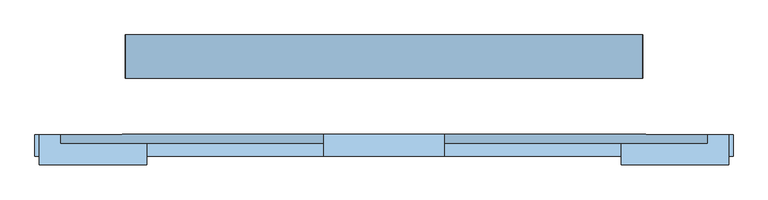
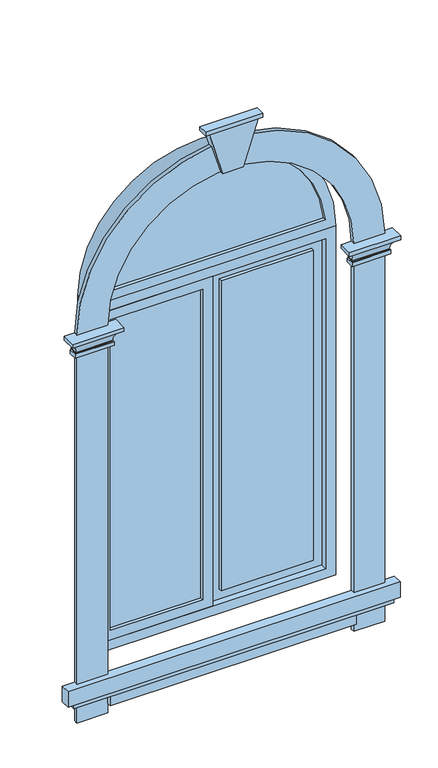
"""IFC4 building model written with IfcOpenShell, lengths in millimetres: window geometry."""

from ifc_helpers import new_model, si_unit, point, frame, frame_2d, origin, place, context, project, spatial, polyline, circle_curve, ellipse_curve, trimmed, segment, composite_curve, outline, extrude, faceted_brep, source, transform, mapped, element, save
from ifc_brep_helpers import plane_surface, revolved_surface, advanced_brep


def window_6a2d959f(model_context):
    return source(origin(), model_context, "Body", "SolidModel", [
        extrude(outline(composite_curve([segment(polyline([(2650.0, -547.7225575), (2650.0, 547.7225575)]), True, "CONTINUOUS"), segment(trimmed(circle_curve(frame_2d((2600.0, 0.0)), 550.0), [point((2650.0, 547.7225575))], [point((2650.0, -547.7225575))], False, "CARTESIAN"), True, "CONTINUOUS")], self_intersect=False)), frame((0.0, -34.0, 0.0), z_axis=(0.0, 1.0, 0.0), x_axis=(0.0, 0.0, 1.0)), (0.0, 0.0, 1.0), 34.0),
        extrude(outline(polyline([(500.0, 0.0), (500.0, -34.0), (50.0, -34.0), (50.0, 0.0), (500.0, 0.0)])), frame((0.0, 0.0, 900.0), z_axis=(0.0, 0.0, 1.0), x_axis=(1.0, 0.0, 0.0)), (0.0, 0.0, 1.0), 1600.0),
        extrude(outline(polyline([(-50.0, 0.0), (-50.0, -34.0), (-500.0, -34.0), (-500.0, 0.0), (-50.0, 0.0)])), frame((0.0, 0.0, 900.0), z_axis=(0.0, 0.0, 1.0), x_axis=(1.0, 0.0, 0.0)), (0.0, 0.0, 1.0), 1600.0),
        extrude(outline(composite_curve([segment(polyline([(600.0, 750.0), (2600.0, 750.0)]), True, "CONTINUOUS"), segment(trimmed(circle_curve(frame_2d((2600.0, 0.0)), 750.0), [point((2600.0, 750.0))], [point((2600.0, -750.0))], False, "CARTESIAN"), True, "CONTINUOUS"), segment(polyline([(2600.0, -750.0), (600.0, -750.0), (600.0, -600.0), (2600.0, -600.0)]), True, "CONTINUOUS"), segment(trimmed(circle_curve(frame_2d((2600.0, 0.0)), 600.0), [point((2600.0, -600.0))], [point((2600.0, 600.0))], True, "CARTESIAN"), True, "CONTINUOUS"), segment(polyline([(2600.0, 600.0), (600.0, 600.0), (600.0, 750.0)]), True, "CONTINUOUS")], self_intersect=False)), frame((0.0, -201.0, 0.0), z_axis=(0.0, 1.0, 0.0), x_axis=(0.0, 0.0, 1.0)), (0.0, 0.0, 1.0), 20.0),
        extrude(outline(polyline([(2550.0, -550.0), (850.0, -550.0), (850.0, 0.0), (2550.0, 0.0), (2550.0, -550.0)]), holes=[polyline([(900.0, -500.0), (2500.0, -500.0), (2500.0, -50.0), (900.0, -50.0), (900.0, -500.0)])]), frame((0.0, -50.0, 0.0), z_axis=(0.0, 1.0, 0.0), x_axis=(0.0, 0.0, 1.0)), (0.0, 0.0, 1.0), 31.0),
        extrude(outline(polyline([(2550.0, 0.0), (850.0, 0.0), (850.0, 550.0), (2550.0, 550.0), (2550.0, 0.0)]), holes=[polyline([(900.0, 50.0), (2500.0, 50.0), (2500.0, 500.0), (900.0, 500.0), (900.0, 50.0)])]), frame((0.0, -19.0, 0.0), z_axis=(0.0, 1.0, 0.0), x_axis=(0.0, 0.0, 1.0)), (0.0, 0.0, 1.0), 69.0),
        extrude(outline(polyline([(800.0, -600.0), (800.0, 600.0), (2600.0, 600.0), (2600.0, -600.0), (800.0, -600.0)]), holes=[polyline([(850.0, 550.0), (850.0, -550.0), (2550.0, -550.0), (2550.0, 550.0), (850.0, 550.0)])]), frame((0.0, -50.0, 0.0), z_axis=(0.0, 1.0, 0.0), x_axis=(0.0, 0.0, 1.0)), (0.0, 0.0, 1.0), 100.0),
        faceted_brep([(120.0, -181.0, 3430.0), (-120.0, -181.0, 3430.0), (-120.0, -226.0, 3430.0), (120.0, -226.0, 3430.0), (50.0, -181.0, 3200.0), (50.0, -221.0, 3200.0), (-50.0, -221.0, 3200.0), (-50.0, -181.0, 3200.0)], [[[0, 1, 2, 3]], [[4, 5, 6, 7]], [[4, 0, 3, 5]], [[5, 3, 2, 6]], [[6, 2, 1, 7]], [[7, 1, 0, 4]]]),
        extrude(outline(polyline([(140.0, -181.0), (140.0, -231.0), (-140.0, -231.0), (-140.0, -181.0), (140.0, -181.0)])), frame((0.0, 0.0, 3430.0), z_axis=(0.0, 0.0, 1.0), x_axis=(1.0, 0.0, 0.0)), (0.0, 0.0, 1.0), 20.0),
        advanced_brep(
        [(800.0, -181.0, 2600.0), (800.0, -181.0, 2580.0), (795.0, -181.0, 2580.0), (765.0, -181.0, 2525.0), (765.0, -181.0, 2520.0), (770.0, -181.0, 2520.0), (770.0, -181.0, 2500.0), (750.0, -181.0, 2500.0), (750.0, -181.0, 2600.0), (750.0, -201.0, 2600.0), (600.0, -201.0, 2600.0), (600.0, -181.0, 2600.0), (550.0, -181.0, 2600.0), (550.0, -251.0, 2600.0), (800.0, -251.0, 2600.0), (750.0, -201.0, 2500.0), (770.0, -221.0, 2500.0), (580.0, -221.0, 2500.0), (580.0, -181.0, 2500.0), (600.0, -181.0, 2500.0), (600.0, -201.0, 2500.0), (770.0, -221.0, 2520.0), (765.0, -216.0, 2520.0), (585.0, -216.0, 2520.0), (585.0, -181.0, 2520.0), (580.0, -181.0, 2520.0), (580.0, -221.0, 2520.0), (765.0, -216.0, 2525.0), (795.0, -246.0, 2580.0), (800.0, -251.0, 2580.0), (550.0, -251.0, 2580.0), (550.0, -181.0, 2580.0), (555.0, -181.0, 2580.0), (555.0, -246.0, 2580.0), (585.0, -216.0, 2525.0), (585.0, -181.0, 2525.0)],
        [
            (0, 1),
            (1, 2),
            (2, 3, circle_curve(frame((830.4166667, -181.0, 2525.0), z_axis=(0.0, -1.0, 0.0), x_axis=(-1.0, 0.0, 0.0)), 65.4166667)),
            (3, 4),
            (4, 5),
            (5, 6),
            (6, 7),
            (7, 8),
            (8, 0),
            (8, 9),
            (9, 10),
            (10, 11),
            (11, 12),
            (12, 13),
            (13, 14),
            (14, 0),
            (7, 15),
            (15, 9),
            (6, 16),
            (16, 17),
            (17, 18),
            (18, 19),
            (19, 20),
            (20, 15),
            (5, 21),
            (21, 16),
            (4, 22),
            (22, 23),
            (23, 24),
            (24, 25),
            (25, 26),
            (26, 21),
            (3, 27),
            (27, 22),
            (2, 28),
            (28, 27, ellipse_curve(frame((830.4166667, -281.4166667, 2525.0), z_axis=(-0.7071067811865475, -0.7071067811865475, 0.0), x_axis=(0.7071067811865474, -0.7071067811865476, 0.0)), 92.5131372, 65.4166667)),
            (1, 29),
            (29, 30),
            (30, 31),
            (31, 32),
            (32, 33),
            (33, 28),
            (14, 29),
            (20, 10),
            (26, 17),
            (27, 34),
            (34, 23),
            (33, 34, ellipse_curve(frame((519.5833333, -281.4166667, 2525.0), z_axis=(-0.7071067811865475, 0.7071067811865475, 0.0), x_axis=(-0.7071067811865476, -0.7071067811865474, 0.0)), 92.5131372, 65.4166667)),
            (13, 30),
            (11, 19),
            (18, 25),
            (24, 35),
            (35, 32, circle_curve(frame((519.5833333, -181.0, 2525.0), z_axis=(0.0, -1.0, 0.0), x_axis=(1.0, 0.0, 0.0)), 65.4166667)),
            (31, 12),
            (34, 35),
        ],
        [
            plane_surface(frame((750.0, -181.0, 0.0), z_axis=(0.0, 1.0, 0.0), x_axis=(0.0, 0.0, 1.0))),
            plane_surface(frame((800.0, -181.0, 2600.0), z_axis=(0.0, 0.0, 1.0), x_axis=(0.0, -1.0, 0.0))),
            plane_surface(frame((750.0, -181.0, 2600.0), z_axis=(-1.0, 0.0, 0.0), x_axis=(0.0, -1.0, 0.0))),
            plane_surface(frame((750.0, -181.0, 2500.0), z_axis=(0.0, 0.0, -1.0), x_axis=(0.0, -1.0, 0.0))),
            plane_surface(frame((770.0, -181.0, 2500.0), z_axis=(1.0, 0.0, 0.0), x_axis=(0.0, -1.0, 0.0))),
            plane_surface(frame((770.0, -181.0, 2520.0), z_axis=(0.0, 0.0, 1.0), x_axis=(0.0, -1.0, 0.0))),
            plane_surface(frame((765.0, -181.0, 2520.0), z_axis=(1.0, 0.0, 0.0), x_axis=(0.0, -1.0, 0.0))),
            revolved_surface(polyline([(765.0, -346.83333336296147, 2525.0), (765.0, -181.0, 2525.0)]), (830.4166667, -181.0, 2525.0), (0.0, -1.0, 0.0)),
            plane_surface(frame((795.0, -181.0, 2580.0), z_axis=(0.0, 0.0, -1.0), x_axis=(0.0, -1.0, 0.0))),
            plane_surface(frame((800.0, -181.0, 2580.0), z_axis=(1.0, 0.0, 0.0), x_axis=(0.0, -1.0, 0.0))),
            plane_surface(frame((750.0, -201.0, 2600.0), z_axis=(0.0, 1.0, 0.0), x_axis=(-1.0, 0.0, 0.0))),
            plane_surface(frame((770.0, -221.0, 2500.0), z_axis=(0.0, -1.0, 0.0), x_axis=(-1.0, 0.0, 0.0))),
            plane_surface(frame((765.0, -216.0, 2520.0), z_axis=(0.0, -1.0, 0.0), x_axis=(-1.0, 0.0, 0.0))),
            revolved_surface(polyline([(454.1666666370386, -216.0, 2525.0), (895.8333333629614, -216.0, 2525.0)]), (750.0, -281.4166667, 2525.0), (-1.0, 0.0, 0.0)),
            plane_surface(frame((800.0, -251.0, 2580.0), z_axis=(0.0, -1.0, 0.0), x_axis=(-1.0, 0.0, 0.0))),
            plane_surface(frame((600.0, -181.0, 0.0), z_axis=(0.0, 1.0, 0.0), x_axis=(0.0, 0.0, 1.0))),
            plane_surface(frame((600.0, -201.0, 2600.0), z_axis=(1.0, 0.0, 0.0), x_axis=(0.0, 1.0, 0.0))),
            plane_surface(frame((580.0, -221.0, 2500.0), z_axis=(-1.0, 0.0, 0.0), x_axis=(0.0, 1.0, 0.0))),
            plane_surface(frame((585.0, -216.0, 2520.0), z_axis=(-1.0, 0.0, 0.0), x_axis=(0.0, 1.0, 0.0))),
            revolved_surface(polyline([(585.0, -181.0, 2525.0), (585.0, -346.8333333629614, 2525.0)]), (519.5833333, -201.0, 2525.0), (0.0, 1.0, 0.0)),
            plane_surface(frame((550.0, -251.0, 2580.0), z_axis=(-1.0, 0.0, 0.0), x_axis=(0.0, 1.0, 0.0))),
        ],
        [
            (0, [[1, 2, 3, 4, 5, 6, 7, 8, 9]]),
            (1, [[10, 11, 12, 13, 14, 15, 16, -9]]),
            (2, [[17, 18, -10, -8]]),
            (3, [[19, 20, 21, 22, 23, 24, -17, -7]]),
            (4, [[25, 26, -19, -6]]),
            (5, [[27, 28, 29, 30, 31, 32, -25, -5]]),
            (6, [[33, 34, -27, -4]]),
            (7, [[35, 36, -33, -3]]),
            (8, [[37, 38, 39, 40, 41, 42, -35, -2]]),
            (9, [[-16, 43, -37, -1]]),
            (10, [[-24, 44, -11, -18]]),
            (11, [[-32, 45, -20, -26]]),
            (12, [[46, 47, -28, -34]]),
            (13, [[-42, 48, -46, -36]]),
            (14, [[-15, 49, -38, -43]]),
            (15, [[-13, 50, -22, 51, -30, 52, 53, -40, 54]]),
            (16, [[-23, -50, -12, -44]]),
            (17, [[-31, -51, -21, -45]]),
            (18, [[55, -52, -29, -47]]),
            (19, [[-41, -53, -55, -48]]),
            (20, [[-14, -54, -39, -49]]),
        ],
    ),
        advanced_brep(
        [(-550.0, -181.0, 2600.0), (-550.0, -181.0, 2580.0), (-555.0, -181.0, 2580.0), (-585.0, -181.0, 2525.0), (-585.0, -181.0, 2520.0), (-580.0, -181.0, 2520.0), (-580.0, -181.0, 2500.0), (-600.0, -181.0, 2500.0), (-600.0, -181.0, 2600.0), (-600.0, -201.0, 2600.0), (-750.0, -201.0, 2600.0), (-750.0, -181.0, 2600.0), (-800.0, -181.0, 2600.0), (-800.0, -251.0, 2600.0), (-550.0, -251.0, 2600.0), (-600.0, -201.0, 2500.0), (-580.0, -221.0, 2500.0), (-770.0, -221.0, 2500.0), (-770.0, -181.0, 2500.0), (-750.0, -181.0, 2500.0), (-750.0, -201.0, 2500.0), (-580.0, -221.0, 2520.0), (-550.0, -251.0, 2580.0), (-800.0, -251.0, 2580.0), (-800.0, -181.0, 2580.0), (-795.0, -181.0, 2580.0), (-795.0, -246.0, 2580.0), (-555.0, -246.0, 2580.0), (-770.0, -221.0, 2520.0), (-770.0, -181.0, 2520.0), (-765.0, -181.0, 2520.0), (-765.0, -181.0, 2525.0), (-585.0, -216.0, 2520.0), (-765.0, -216.0, 2520.0), (-585.0, -216.0, 2525.0), (-765.0, -216.0, 2525.0)],
        [
            (0, 1),
            (1, 2),
            (2, 3, circle_curve(frame((-519.5833333, -181.0, 2525.0), z_axis=(0.0, -1.0, 0.0), x_axis=(-1.0, 0.0, 0.0)), 65.4166667)),
            (3, 4),
            (4, 5),
            (5, 6),
            (6, 7),
            (7, 8),
            (8, 0),
            (8, 9),
            (9, 10),
            (10, 11),
            (11, 12),
            (12, 13),
            (13, 14),
            (14, 0),
            (7, 15),
            (15, 9),
            (6, 16),
            (16, 17),
            (17, 18),
            (18, 19),
            (19, 20),
            (20, 15),
            (5, 21),
            (21, 16),
            (1, 22),
            (22, 23),
            (23, 24),
            (24, 25),
            (25, 26),
            (26, 27),
            (27, 2),
            (14, 22),
            (20, 10),
            (21, 28),
            (28, 17),
            (13, 23),
            (11, 19),
            (18, 29),
            (29, 30),
            (30, 31),
            (31, 25, circle_curve(frame((-830.4166667, -181.0, 2525.0), z_axis=(0.0, -1.0, 0.0), x_axis=(1.0, 0.0, 0.0)), 65.4166667)),
            (24, 12),
            (28, 29),
            (4, 32),
            (32, 33),
            (33, 30),
            (3, 34),
            (34, 32),
            (27, 34, ellipse_curve(frame((-519.5833333, -281.4166667, 2525.0), z_axis=(-0.7071067811865475, -0.7071067811865475, 0.0), x_axis=(0.7071067811865474, -0.7071067811865476, 0.0)), 92.5131372, 65.4166667)),
            (34, 35),
            (35, 33),
            (26, 35, ellipse_curve(frame((-830.4166667, -281.4166667, 2525.0), z_axis=(-0.7071067811865475, 0.7071067811865475, 0.0), x_axis=(-0.7071067811865476, -0.7071067811865474, 0.0)), 92.5131372, 65.4166667)),
            (35, 31),
        ],
        [
            plane_surface(frame((-600.0, -181.0, 0.0), z_axis=(0.0, 1.0, 0.0), x_axis=(0.0, 0.0, 1.0))),
            plane_surface(frame((-550.0, -181.0, 2600.0), z_axis=(0.0, 0.0, 1.0), x_axis=(0.0, -1.0, 0.0))),
            plane_surface(frame((-600.0, -181.0, 2600.0), z_axis=(-1.0, 0.0, 0.0), x_axis=(0.0, -1.0, 0.0))),
            plane_surface(frame((-600.0, -181.0, 2500.0), z_axis=(0.0, 0.0, -1.0), x_axis=(0.0, -1.0, 0.0))),
            plane_surface(frame((-580.0, -181.0, 2500.0), z_axis=(1.0, 0.0, 0.0), x_axis=(0.0, -1.0, 0.0))),
            plane_surface(frame((-555.0, -181.0, 2580.0), z_axis=(0.0, 0.0, -1.0), x_axis=(0.0, -1.0, 0.0))),
            plane_surface(frame((-550.0, -181.0, 2580.0), z_axis=(1.0, 0.0, 0.0), x_axis=(0.0, -1.0, 0.0))),
            plane_surface(frame((-600.0, -201.0, 2600.0), z_axis=(0.0, 1.0, 0.0), x_axis=(-1.0, 0.0, 0.0))),
            plane_surface(frame((-580.0, -221.0, 2500.0), z_axis=(0.0, -1.0, 0.0), x_axis=(-1.0, 0.0, 0.0))),
            plane_surface(frame((-550.0, -251.0, 2580.0), z_axis=(0.0, -1.0, 0.0), x_axis=(-1.0, 0.0, 0.0))),
            plane_surface(frame((-750.0, -181.0, 0.0), z_axis=(0.0, 1.0, 0.0), x_axis=(0.0, 0.0, 1.0))),
            plane_surface(frame((-750.0, -201.0, 2600.0), z_axis=(1.0, 0.0, 0.0), x_axis=(0.0, 1.0, 0.0))),
            plane_surface(frame((-770.0, -221.0, 2500.0), z_axis=(-1.0, 0.0, 0.0), x_axis=(0.0, 1.0, 0.0))),
            plane_surface(frame((-800.0, -251.0, 2580.0), z_axis=(-1.0, 0.0, 0.0), x_axis=(0.0, 1.0, 0.0))),
            plane_surface(frame((-580.0, -181.0, 2520.0), z_axis=(0.0, 0.0, 1.0), x_axis=(0.0, -1.0, 0.0))),
            plane_surface(frame((-585.0, -181.0, 2520.0), z_axis=(1.0, 0.0, 0.0), x_axis=(0.0, -1.0, 0.0))),
            revolved_surface(polyline([(-585.0, -346.83333336296147, 2525.0), (-585.0, -181.0, 2525.0)]), (-519.5833333, -181.0, 2525.0), (0.0, -1.0, 0.0)),
            plane_surface(frame((-585.0, -216.0, 2520.0), z_axis=(0.0, -1.0, 0.0), x_axis=(-1.0, 0.0, 0.0))),
            revolved_surface(polyline([(-895.8333333629614, -216.0, 2525.0), (-454.1666666370386, -216.0, 2525.0)]), (-600.0, -281.4166667, 2525.0), (-1.0, 0.0, 0.0)),
            plane_surface(frame((-765.0, -216.0, 2520.0), z_axis=(-1.0, 0.0, 0.0), x_axis=(0.0, 1.0, 0.0))),
            revolved_surface(polyline([(-765.0, -181.0, 2525.0), (-765.0, -346.8333333629614, 2525.0)]), (-830.4166667, -201.0, 2525.0), (0.0, 1.0, 0.0)),
        ],
        [
            (0, [[1, 2, 3, 4, 5, 6, 7, 8, 9]]),
            (1, [[10, 11, 12, 13, 14, 15, 16, -9]]),
            (2, [[17, 18, -10, -8]]),
            (3, [[19, 20, 21, 22, 23, 24, -17, -7]]),
            (4, [[25, 26, -19, -6]]),
            (5, [[27, 28, 29, 30, 31, 32, 33, -2]]),
            (6, [[-16, 34, -27, -1]]),
            (7, [[-24, 35, -11, -18]]),
            (8, [[36, 37, -20, -26]]),
            (9, [[-15, 38, -28, -34]]),
            (10, [[-13, 39, -22, 40, 41, 42, 43, -30, 44]]),
            (11, [[-23, -39, -12, -35]]),
            (12, [[45, -40, -21, -37]]),
            (13, [[-14, -44, -29, -38]]),
            (14, [[46, 47, 48, -41, -45, -36, -25, -5]]),
            (15, [[49, 50, -46, -4]]),
            (16, [[-33, 51, -49, -3]]),
            (17, [[52, 53, -47, -50]]),
            (18, [[-32, 54, -52, -51]]),
            (19, [[55, -42, -48, -53]]),
            (20, [[-31, -43, -55, -54]]),
        ],
    ),
        extrude(outline(polyline([(600.0, -181.0), (600.0, -221.0), (-600.0, -221.0), (-600.0, -181.0), (600.0, -181.0)])), frame((0.0, 0.0, 650.0), z_axis=(0.0, 0.0, 1.0), x_axis=(1.0, 0.0, 0.0)), (0.0, 0.0, 1.0), 50.0),
        extrude(outline(polyline([(780.0, -181.0), (780.0, -226.0), (-780.0, -226.0), (-780.0, -181.0), (780.0, -181.0)])), frame((0.0, 0.0, 700.0), z_axis=(0.0, 0.0, 1.0), x_axis=(1.0, 0.0, 0.0)), (0.0, 0.0, 1.0), 20.0),
        extrude(outline(polyline([(810.0, -181.0), (810.0, -231.0), (-810.0, -231.0), (-810.0, -181.0), (810.0, -181.0)])), frame((0.0, 0.0, 720.0), z_axis=(0.0, 0.0, 1.0), x_axis=(1.0, 0.0, 0.0)), (0.0, 0.0, 1.0), 80.0),
        extrude(outline(composite_curve([segment(polyline([(2600.0, -600.0), (2600.0, 600.0)]), True, "CONTINUOUS"), segment(trimmed(circle_curve(frame_2d((2600.0, 0.0)), 600.0), [point((2600.0, 600.0))], [point((2600.0, -600.0))], False, "CARTESIAN"), True, "CONTINUOUS")], self_intersect=False), holes=[composite_curve([segment(polyline([(2650.0, 547.7225575), (2650.0, -547.7225575)]), True, "CONTINUOUS"), segment(trimmed(circle_curve(frame_2d((2600.0, 0.0)), 550.0), [point((2650.0, -547.7225575))], [point((2650.0, 547.7225575))], True, "CARTESIAN"), True, "CONTINUOUS")], self_intersect=False)]), frame((0.0, -50.0, 0.0), z_axis=(0.0, 1.0, 0.0), x_axis=(0.0, 0.0, 1.0)), (0.0, 0.0, 1.0), 100.0),
    ])


if __name__ == "__main__":
    model = new_model("IFC4")
    model_context = context("Model", 3, world=origin())
    ifc_project = project(units=[si_unit("LENGTHUNIT", "METRE", prefix="MILLI")], contexts=[model_context])
    site = spatial("IfcSite", under=ifc_project)
    building = spatial("IfcBuilding", under=site)
    placement = place(None, origin())
    window_shape = window_6a2d959f(model_context)
    element("IfcWindow", 1, at=placement, inside=building, context=model_context, shape_type="MappedRepresentation", body=[
        mapped(window_shape, transform((0.0, 0.0, 0.0), x_axis=(1.0, 0.0, 0.0), y_axis=(0.0, 1.0, 0.0), z_axis=(0.0, 0.0, 1.0))),
    ])
    save(model, "model.ifc")
